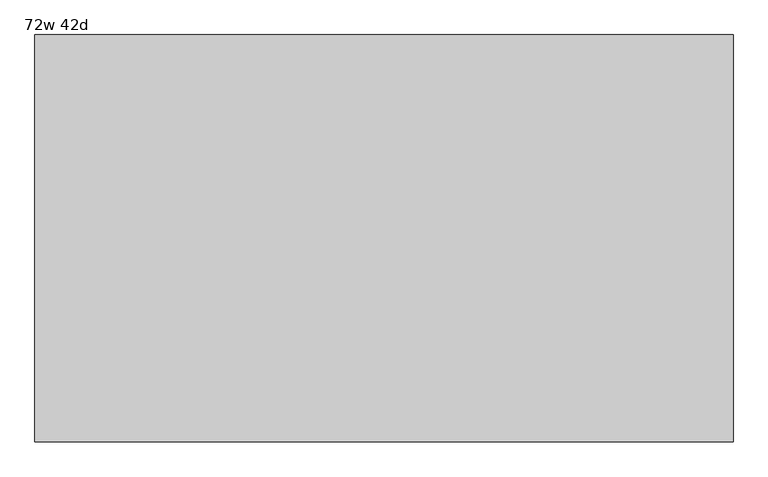
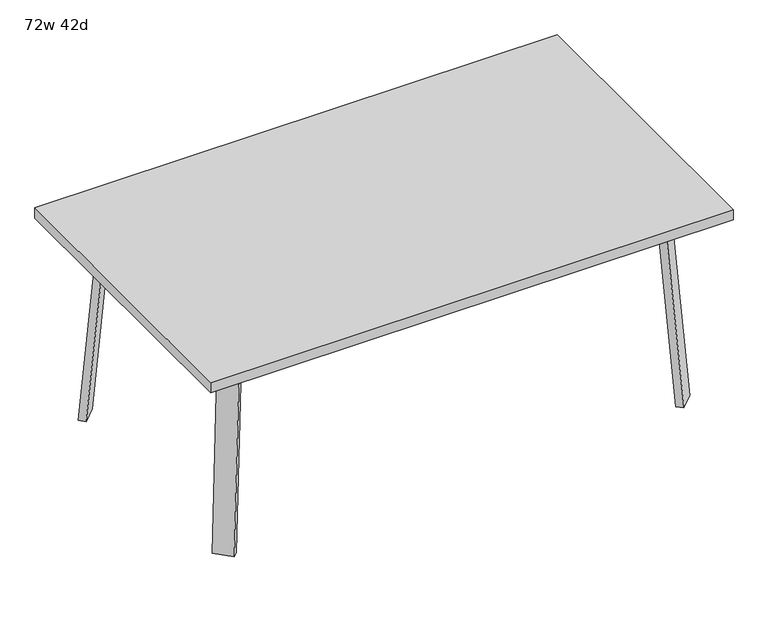
"""IFC4 building model written with IfcOpenShell, lengths in millimetres: furniture geometry, 72w 42d."""

from ifc_helpers import new_model, si_unit, point, frame, frame_2d, origin, place, context, project, spatial, polyline, circle_curve, trimmed, segment, composite_curve, outline, extrude, faceted_brep, source, transform, mapped, element, save


def furniture_72w_42d_36bc5cb1(model_context):
    return source(origin(), model_context, "Body", "SolidModel", [
        faceted_brep([(606.2753042, -350.2920519, 695.325), (645.7884312, -310.778925, 695.325), (700.9047531, -365.8952469, 695.325), (694.2631053, -372.5368947, 695.325), (633.2160726, -377.2328203, 695.325), (753.5368947, -313.2631053, 695.325), (747.6020849, -319.1979151, 695.325), (692.485763, -264.0815931, 695.325), (731.9988899, -224.5684662, 695.325), (758.9396583, -251.5092346, 695.325), (606.2753042, -350.2920519, 698.5), (633.2160726, -377.2328203, 698.5), (694.2631053, -372.5368947, 698.5), (753.5368947, -313.2631053, 698.5), (758.9396583, -251.5092346, 698.5), (731.9988899, -224.5684662, 698.5), (700.9047531, -365.8952469, 673.1), (747.6020849, -319.1979151, 673.1), (656.0034725, -320.9939663, 673.1), (702.7008043, -274.2966345, 673.1)], [[[0, 1, 2, 3, 4]], [[5, 6, 7, 8, 9]], [[10, 11, 12, 13, 14, 15]], [[4, 11, 10, 0]], [[3, 12, 11, 4]], [[12, 3, 2, 16, 17, 6, 5, 13]], [[9, 14, 13, 5]], [[8, 15, 14, 9]], [[15, 8, 7, 1, 0, 10]], [[2, 1, 18, 16]], [[7, 6, 17, 19]], [[18, 19, 17, 16]], [[1, 7, 19, 18]]]),
        extrude(outline(composite_curve([segment(polyline([(-698.9257667, 0.0), (-704.4601563, 63.2583633), (-679.156811, 65.4721192), (-677.172355, 42.7896831)]), True, "CONTINUOUS"), segment(trimmed(circle_curve(frame_2d((-658.194846, 44.45)), 19.05), [point((-677.172355, 42.7896831))], [point((-658.194846, 25.4))], True, "CARTESIAN"), True, "CONTINUOUS"), segment(polyline([(-658.194846, 25.4), (0.0201778, 25.4), (2.2423899, 0.0), (-698.9257667, 0.0)]), True, "CONTINUOUS")], self_intersect=False)), frame((787.1792647, -455.5706733, 2.2338569), z_axis=(0.7071067811865512, 0.707106781186544, 0.0), x_axis=(0.06162841671622733, -0.06162841671621349, -0.9961946980917454)), (0.0, 0.0, 1.0), 69.85),
        faceted_brep([(606.2753042, 350.2920519, 695.325), (633.2160726, 377.2328203, 695.325), (694.2631053, 372.5368947, 695.325), (700.9047531, 365.8952469, 695.325), (645.7884312, 310.778925, 695.325), (753.5368947, 313.2631053, 695.325), (758.9396583, 251.5092346, 695.325), (731.9988899, 224.5684662, 695.325), (692.485763, 264.0815931, 695.325), (747.6020849, 319.1979151, 695.325), (606.2753042, 350.2920519, 698.5), (731.9988899, 224.5684662, 698.5), (758.9396583, 251.5092346, 698.5), (753.5368947, 313.2631053, 698.5), (694.2631053, 372.5368947, 698.5), (633.2160726, 377.2328203, 698.5), (747.6020849, 319.1979151, 673.1), (700.9047531, 365.8952469, 673.1), (656.0034725, 320.9939663, 673.1), (702.7008043, 274.2966345, 673.1)], [[[0, 1, 2, 3, 4]], [[5, 6, 7, 8, 9]], [[10, 11, 12, 13, 14, 15]], [[1, 0, 10, 15]], [[2, 1, 15, 14]], [[14, 13, 5, 9, 16, 17, 3, 2]], [[6, 5, 13, 12]], [[7, 6, 12, 11]], [[11, 10, 0, 4, 8, 7]], [[3, 17, 18, 4]], [[8, 19, 16, 9]], [[18, 17, 16, 19]], [[4, 18, 19, 8]]]),
        extrude(outline(composite_curve([segment(polyline([(698.9257667, 0.0), (704.4601563, -63.2583633), (679.156811, -65.4721192), (677.172355, -42.7896831)]), True, "CONTINUOUS"), segment(trimmed(circle_curve(frame_2d((658.194846, -44.45)), 19.05), [point((677.172355, -42.7896831))], [point((658.194846, -25.4))], True, "CARTESIAN"), True, "CONTINUOUS"), segment(polyline([(658.194846, -25.4), (-0.0201778, -25.4), (-2.2423899, 0.0), (698.9257667, 0.0)]), True, "CONTINUOUS")], self_intersect=False)), frame((836.5706733, 406.1792647, 2.2338569), z_axis=(-0.7071067811865512, 0.707106781186544, 0.0), x_axis=(-0.06162841671622733, -0.06162841671621349, 0.9961946980917454)), (0.0, 0.0, 1.0), 69.85),
        faceted_brep([(-606.2753042, 350.2920519, 695.325), (-645.7884312, 310.778925, 695.325), (-700.9047531, 365.8952469, 695.325), (-694.2631053, 372.5368947, 695.325), (-633.2160726, 377.2328203, 695.325), (-753.5368947, 313.2631053, 695.325), (-747.6020849, 319.1979151, 695.325), (-692.485763, 264.0815931, 695.325), (-731.9988899, 224.5684662, 695.325), (-758.9396583, 251.5092346, 695.325), (-606.2753042, 350.2920519, 698.5), (-633.2160726, 377.2328203, 698.5), (-694.2631053, 372.5368947, 698.5), (-753.5368947, 313.2631053, 698.5), (-758.9396583, 251.5092346, 698.5), (-731.9988899, 224.5684662, 698.5), (-700.9047531, 365.8952469, 673.1), (-747.6020849, 319.1979151, 673.1), (-656.0034725, 320.9939663, 673.1), (-702.7008043, 274.2966345, 673.1)], [[[0, 1, 2, 3, 4]], [[5, 6, 7, 8, 9]], [[10, 11, 12, 13, 14, 15]], [[4, 11, 10, 0]], [[3, 12, 11, 4]], [[12, 3, 2, 16, 17, 6, 5, 13]], [[9, 14, 13, 5]], [[8, 15, 14, 9]], [[15, 8, 7, 1, 0, 10]], [[2, 1, 18, 16]], [[7, 6, 17, 19]], [[18, 19, 17, 16]], [[1, 7, 19, 18]]]),
        extrude(outline(composite_curve([segment(polyline([(698.9257667, 0.0), (-2.2423899, 0.0), (-0.0201778, 25.4), (658.194846, 25.4)]), True, "CONTINUOUS"), segment(trimmed(circle_curve(frame_2d((658.194846, 44.45)), 19.05), [point((658.194846, 25.4))], [point((677.172355, 42.7896831))], True, "CARTESIAN"), True, "CONTINUOUS"), segment(polyline([(677.172355, 42.7896831), (679.156811, 65.4721192), (704.4601563, 63.2583633), (698.9257667, 0.0)]), True, "CONTINUOUS")], self_intersect=False)), frame((-836.5706733, 406.1792647, 2.2338569), z_axis=(0.7071067811865512, 0.707106781186544, 0.0), x_axis=(0.06162841671622733, -0.06162841671621349, 0.9961946980917454)), (0.0, 0.0, 1.0), 69.85),
        faceted_brep([(-606.2753042, -350.2920519, 695.325), (-633.2160726, -377.2328203, 695.325), (-694.2631053, -372.5368947, 695.325), (-700.9047531, -365.8952469, 695.325), (-645.7884312, -310.778925, 695.325), (-753.5368947, -313.2631053, 695.325), (-758.9396583, -251.5092346, 695.325), (-731.9988899, -224.5684662, 695.325), (-692.485763, -264.0815931, 695.325), (-747.6020849, -319.1979151, 695.325), (-606.2753042, -350.2920519, 698.5), (-731.9988899, -224.5684662, 698.5), (-758.9396583, -251.5092346, 698.5), (-753.5368947, -313.2631053, 698.5), (-694.2631053, -372.5368947, 698.5), (-633.2160726, -377.2328203, 698.5), (-747.6020849, -319.1979151, 673.1), (-700.9047531, -365.8952469, 673.1), (-656.0034725, -320.9939663, 673.1), (-702.7008043, -274.2966345, 673.1)], [[[0, 1, 2, 3, 4]], [[5, 6, 7, 8, 9]], [[10, 11, 12, 13, 14, 15]], [[1, 0, 10, 15]], [[2, 1, 15, 14]], [[14, 13, 5, 9, 16, 17, 3, 2]], [[6, 5, 13, 12]], [[7, 6, 12, 11]], [[11, 10, 0, 4, 8, 7]], [[3, 17, 18, 4]], [[8, 19, 16, 9]], [[18, 17, 16, 19]], [[4, 18, 19, 8]]]),
        extrude(outline(composite_curve([segment(polyline([(-698.9257667, 0.0), (2.2423899, 0.0), (0.0201778, -25.4), (-658.194846, -25.4)]), True, "CONTINUOUS"), segment(trimmed(circle_curve(frame_2d((-658.194846, -44.45)), 19.05), [point((-658.194846, -25.4))], [point((-677.172355, -42.7896831))], True, "CARTESIAN"), True, "CONTINUOUS"), segment(polyline([(-677.172355, -42.7896831), (-679.156811, -65.4721192), (-704.4601563, -63.2583633), (-698.9257667, 0.0)]), True, "CONTINUOUS")], self_intersect=False)), frame((-787.1792647, -455.5706733, 2.2338569), z_axis=(-0.7071067811865512, 0.707106781186544, 0.0), x_axis=(-0.06162841671622733, -0.06162841671621349, -0.9961946980917454)), (0.0, 0.0, 1.0), 69.85),
        extrude(outline(polyline([(914.4, 533.4), (914.4, -533.4), (-914.4, -533.4), (-914.4, 533.4), (914.4, 533.4)])), frame((0.0, 0.0, 698.5), z_axis=(0.0, 0.0, 1.0), x_axis=(1.0, 0.0, 0.0)), (0.0, 0.0, 1.0), 38.1),
    ])


if __name__ == "__main__":
    model = new_model("IFC4")
    model_context = context("Model", 3, world=origin())
    ifc_project = project(units=[si_unit("LENGTHUNIT", "METRE", prefix="MILLI")], contexts=[model_context])
    site = spatial("IfcSite", under=ifc_project)
    building = spatial("IfcBuilding", under=site)
    placement = place(None, origin())
    furniture_72w_42d_shape = furniture_72w_42d_36bc5cb1(model_context)
    element("IfcFurniture", 1, ObjectType="72w 42d", at=placement, inside=building, context=model_context, shape_type="MappedRepresentation", body=[
        mapped(furniture_72w_42d_shape, transform((0.0, 0.0, 0.0), x_axis=(1.0, 0.0, 0.0), y_axis=(0.0, 1.0, 0.0), z_axis=(0.0, 0.0, 1.0))),
    ])
    save(model, "model.ifc")
